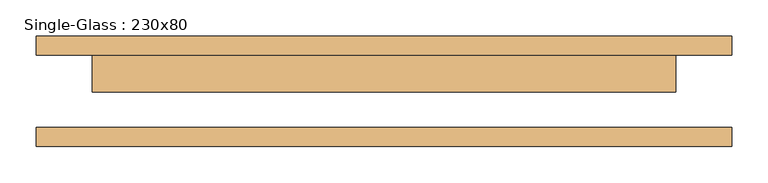
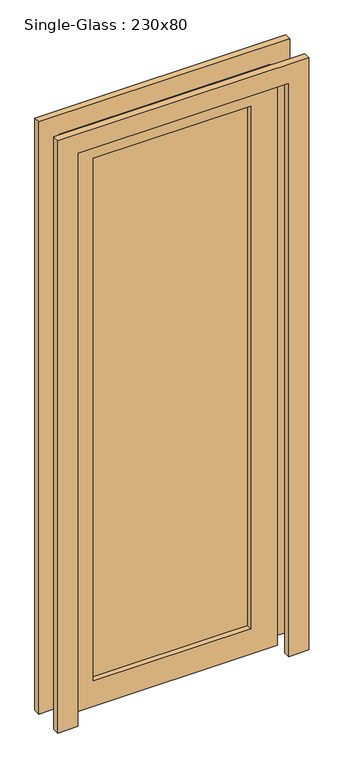
"""IFC4 building model written with IfcOpenShell, lengths in millimetres: door geometry, Single-Glass : 230x80."""

from ifc_helpers import new_model, si_unit, frame, origin, place, context, project, spatial, polyline, outline, extrude, source, transform, mapped, element, save


def single_glass_230x80_cebfab13(model_context):
    return source(origin(), model_context, "Body", "SweptSolid", [
        extrude(outline(polyline([(2300.0, 400.0), (0.0, 400.0), (0.0, 476.2), (2376.2, 476.2), (2376.2, -476.2), (0.0, -476.2), (0.0, -400.0), (2300.0, -400.0), (2300.0, 400.0)])), frame((0.0, -75.4, 0.0), z_axis=(0.0, 1.0, 0.0), x_axis=(0.0, 0.0, 1.0)), (0.0, 0.0, 1.0), 25.4),
        extrude(outline(polyline([(2300.0, 400.0), (0.0, 400.0), (0.0, 476.2), (2376.2, 476.2), (2376.2, -476.2), (0.0, -476.2), (0.0, -400.0), (2300.0, -400.0), (2300.0, 400.0)])), frame((0.0, 50.0, 0.0), z_axis=(0.0, 1.0, 0.0), x_axis=(0.0, 0.0, 1.0)), (0.0, 0.0, 1.0), 25.4),
        extrude(outline(polyline([(298.4, 21.425), (-298.4, 21.425), (-298.4, 27.775), (298.4, 27.775), (298.4, 21.425)])), frame((0.0, 0.0, 101.6), z_axis=(0.0, 0.0, 1.0), x_axis=(1.0, 0.0, 0.0)), (0.0, 0.0, 1.0), 2096.8),
        extrude(outline(polyline([(2300.0, 400.0), (2300.0, -400.0), (0.0, -400.0), (0.0, 400.0), (2300.0, 400.0)]), holes=[polyline([(2198.4, -298.4), (2198.4, 298.4), (101.6, 298.4), (101.6, -298.4), (2198.4, -298.4)])]), frame((0.0, -0.8, 0.0), z_axis=(0.0, 1.0, 0.0), x_axis=(0.0, 0.0, 1.0)), (0.0, 0.0, 1.0), 50.8),
    ])


if __name__ == "__main__":
    model = new_model("IFC4")
    model_context = context("Model", 3, world=origin())
    ifc_project = project(units=[si_unit("LENGTHUNIT", "METRE", prefix="MILLI")], contexts=[model_context])
    site = spatial("IfcSite", under=ifc_project)
    building = spatial("IfcBuilding", under=site)
    placement = place(None, origin())
    single_glass_230x80_shape = single_glass_230x80_cebfab13(model_context)
    element("IfcDoor", 1, ObjectType="Single-Glass : 230x80", at=placement, inside=building, context=model_context, shape_type="MappedRepresentation", body=[
        mapped(single_glass_230x80_shape, transform((0.0, 0.0, 0.0), x_axis=(1.0, 0.0, 0.0), y_axis=(0.0, 1.0, 0.0), z_axis=(0.0, 0.0, 1.0))),
    ])
    save(model, "model.ifc")
